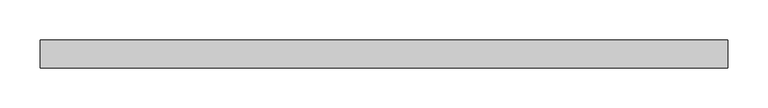
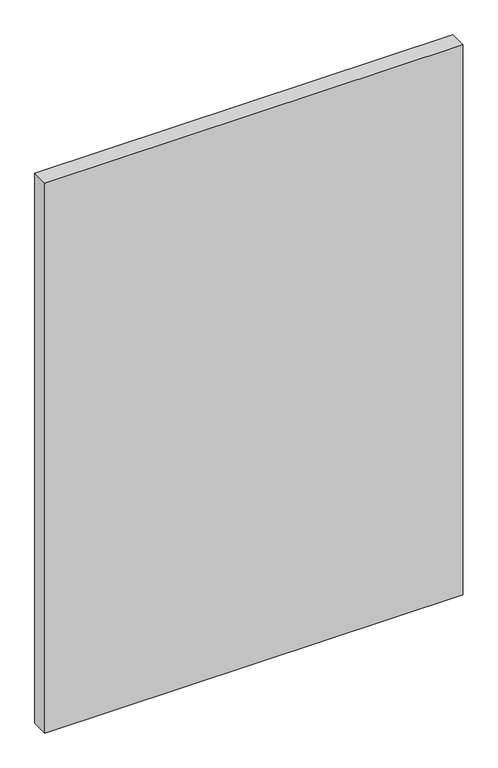
"""IFC4 building model written with IfcOpenShell, lengths in millimetres: plate geometry."""

from ifc_helpers import new_model, si_unit, origin, origin_with_axes, place, context, project, spatial, polyline, outline, extrude, source, transform, mapped, element, save


def plate_6ebd274d(model_context):
    return source(origin(), model_context, "Body", "SweptSolid", [
        extrude(outline(polyline([(429.5950918, -17.5), (-429.5950918, -17.5), (-429.5950918, 17.5), (429.5950918, 17.5), (429.5950918, -17.5)])), origin_with_axes(), (0.0, 0.0, 1.0), 1193.8125),
    ])


if __name__ == "__main__":
    model = new_model("IFC4")
    model_context = context("Model", 3, world=origin())
    ifc_project = project(units=[si_unit("LENGTHUNIT", "METRE", prefix="MILLI")], contexts=[model_context])
    site = spatial("IfcSite", under=ifc_project)
    building = spatial("IfcBuilding", under=site)
    placement = place(None, origin())
    plate_shape = plate_6ebd274d(model_context)
    element("IfcPlate", 1, at=placement, inside=building, context=model_context, shape_type="MappedRepresentation", body=[
        mapped(plate_shape, transform((0.0, 0.0, 0.0), x_axis=(1.0, 0.0, 0.0), y_axis=(0.0, 1.0, 0.0), z_axis=(0.0, 0.0, 1.0))),
    ])
    save(model, "model.ifc")
